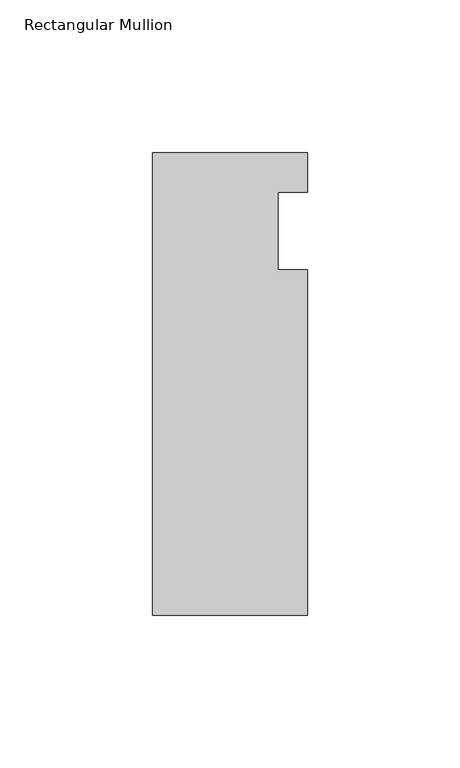
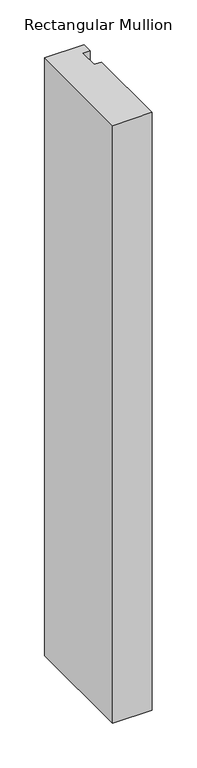
"""IFC4 building model written with IfcOpenShell, lengths in millimetres: member geometry, Rectangular Mullion."""

from ifc_helpers import new_model, si_unit, frame, origin, place, context, project, spatial, polyline, outline, extrude, source, transform, mapped, element, save


def rectangular_mullion_e8cb3c06(model_context):
    return source(origin(), model_context, "Body", "SweptSolid", [
        extrude(outline(polyline([(-25.4, 25.796875), (25.4, 25.796875), (25.4, 12.7), (15.875, 12.7), (15.875, -12.7), (25.4, -12.7), (25.4, -125.809375), (-25.4, -125.809375), (-25.4, 25.796875)])), frame((0.0, 0.0, -812.8), z_axis=(0.0, 0.0, 1.0), x_axis=(1.0, 0.0, 0.0)), (0.0, 0.0, 1.0), 812.8),
    ])


if __name__ == "__main__":
    model = new_model("IFC4")
    model_context = context("Model", 3, world=origin())
    ifc_project = project(units=[si_unit("LENGTHUNIT", "METRE", prefix="MILLI")], contexts=[model_context])
    site = spatial("IfcSite", under=ifc_project)
    building = spatial("IfcBuilding", under=site)
    placement = place(None, origin())
    rectangular_mullion_shape = rectangular_mullion_e8cb3c06(model_context)
    element("IfcMember", 1, ObjectType="Rectangular Mullion", at=placement, inside=building, context=model_context, shape_type="MappedRepresentation", body=[
        mapped(rectangular_mullion_shape, transform((0.0, 0.0, 0.0), x_axis=(1.0, 0.0, 0.0), y_axis=(0.0, 1.0, 0.0), z_axis=(0.0, 0.0, 1.0))),
    ])
    save(model, "model.ifc")
